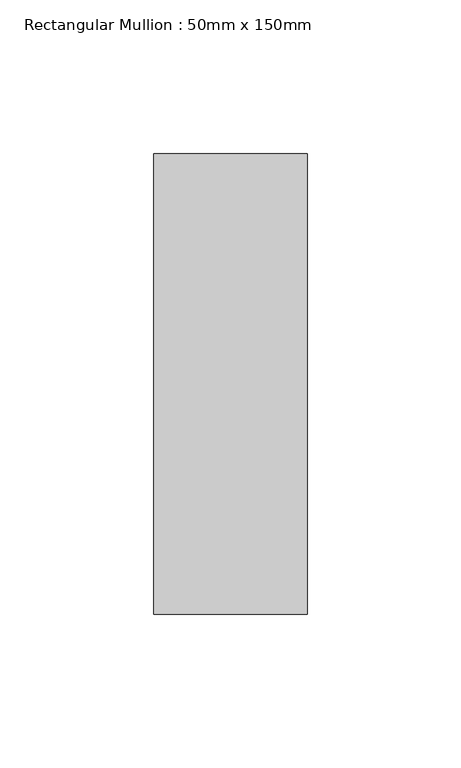
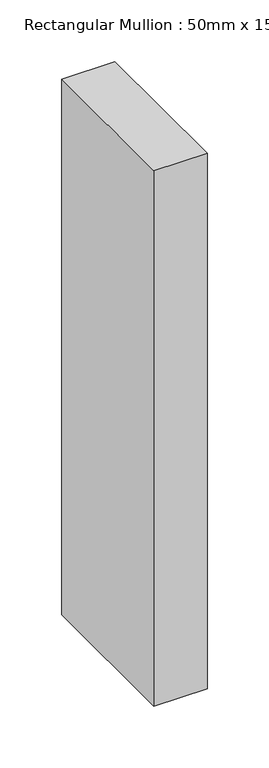
"""IFC4 building model written with IfcOpenShell, lengths in millimetres: member geometry, Rectangular Mullion : 50mm x 150mm."""

from ifc_helpers import new_model, si_unit, frame, origin, place, context, project, spatial, polyline, outline, extrude, source, transform, mapped, element, save


def rectangular_mullion_50mm_x_150mm_a0234941(model_context):
    return source(origin(), model_context, "Body", "SweptSolid", [
        extrude(outline(polyline([(0.0, 75.0), (0.0, -75.0), (-50.0, -75.0), (-50.0, 75.0), (0.0, 75.0)])), frame((0.0, 0.0, -530.7894738), z_axis=(0.0, 0.0, 1.0), x_axis=(1.0, 0.0, 0.0)), (0.0, 0.0, 1.0), 530.7894738),
    ])


if __name__ == "__main__":
    model = new_model("IFC4")
    model_context = context("Model", 3, world=origin())
    ifc_project = project(units=[si_unit("LENGTHUNIT", "METRE", prefix="MILLI")], contexts=[model_context])
    site = spatial("IfcSite", under=ifc_project)
    building = spatial("IfcBuilding", under=site)
    placement = place(None, origin())
    rectangular_mullion_50mm_x_150mm_shape = rectangular_mullion_50mm_x_150mm_a0234941(model_context)
    element("IfcMember", 1, ObjectType="Rectangular Mullion : 50mm x 150mm", at=placement, inside=building, context=model_context, shape_type="MappedRepresentation", body=[
        mapped(rectangular_mullion_50mm_x_150mm_shape, transform((0.0, 0.0, 0.0), x_axis=(1.0, 0.0, 0.0), y_axis=(0.0, 1.0, 0.0), z_axis=(0.0, 0.0, 1.0))),
    ])
    save(model, "model.ifc")
